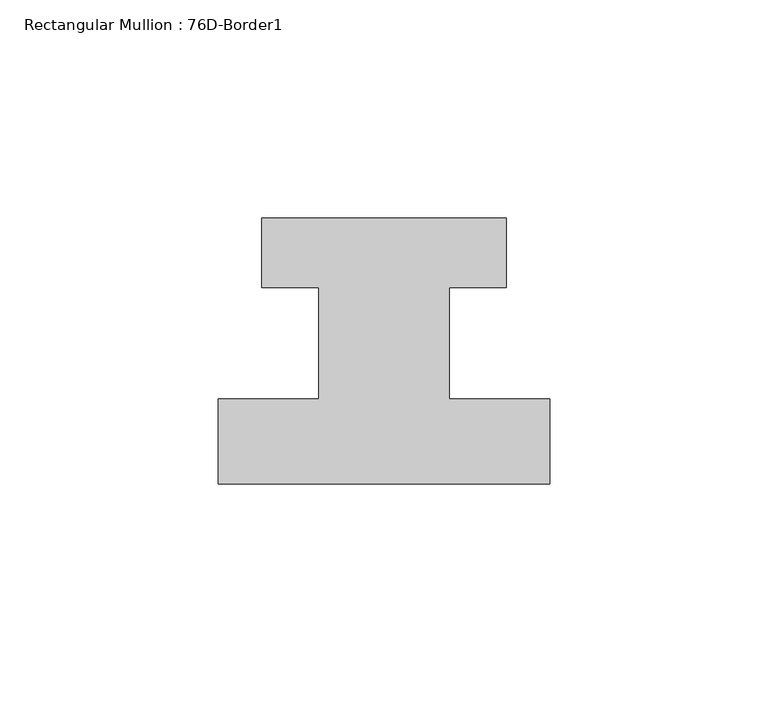
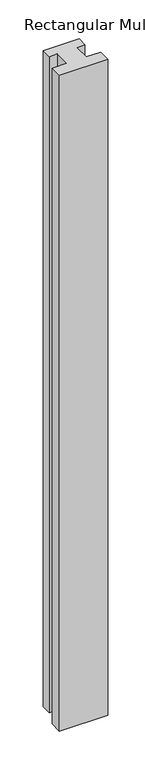
"""IFC4 building model written with IfcOpenShell, lengths in millimetres: member geometry, Rectangular Mullion : 76D-Border1."""

from ifc_helpers import new_model, si_unit, frame, origin, place, context, project, spatial, polyline, outline, extrude, source, transform, mapped, element, save


def rectangular_mullion_76d_border1_b2b1e7c6(model_context):
    return source(origin(), model_context, "Body", "SweptSolid", [
        extrude(outline(polyline([(-76.0, -20.0), (-76.0, -0.5), (-53.0, -0.5), (-53.0, 25.0), (-66.0, 25.0), (-66.0, 41.0), (-10.0, 41.0), (-10.0, 25.0), (-23.0, 25.0), (-23.0, -0.5), (0.0, -0.5), (0.0, -20.0), (-76.0, -20.0)])), frame((0.0, 0.0, -1086.0), z_axis=(0.0, 0.0, 1.0), x_axis=(1.0, 0.0, 0.0)), (0.0, 0.0, 1.0), 1086.0),
    ])


if __name__ == "__main__":
    model = new_model("IFC4")
    model_context = context("Model", 3, world=origin())
    ifc_project = project(units=[si_unit("LENGTHUNIT", "METRE", prefix="MILLI")], contexts=[model_context])
    site = spatial("IfcSite", under=ifc_project)
    building = spatial("IfcBuilding", under=site)
    placement = place(None, origin())
    rectangular_mullion_76d_border1_shape = rectangular_mullion_76d_border1_b2b1e7c6(model_context)
    element("IfcMember", 1, ObjectType="Rectangular Mullion : 76D-Border1", at=placement, inside=building, context=model_context, shape_type="MappedRepresentation", body=[
        mapped(rectangular_mullion_76d_border1_shape, transform((0.0, 0.0, 0.0), x_axis=(1.0, 0.0, 0.0), y_axis=(0.0, 1.0, 0.0), z_axis=(0.0, 0.0, 1.0))),
    ])
    save(model, "model.ifc")
